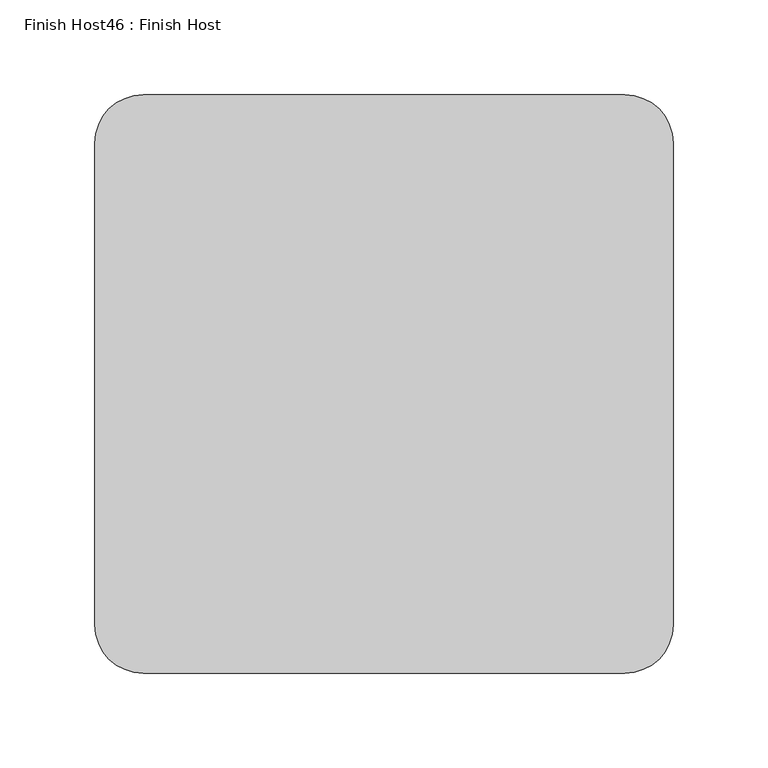
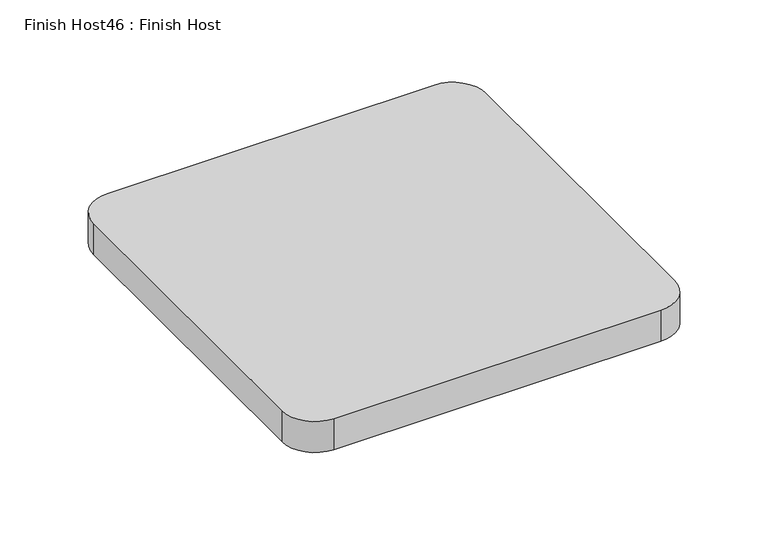
"""IFC4 building model written with IfcOpenShell, lengths in millimetres: proxy geometry, Finish Host46 : Finish Host."""

from ifc_helpers import new_model, si_unit, point, frame_2d, origin, origin_with_axes, place, context, project, spatial, polyline, circle_curve, trimmed, segment, composite_curve, outline, extrude, source, transform, mapped, element, save


def finish_host46_finish_host_f0582e82(model_context):
    return source(origin(), model_context, "Body", "SweptSolid", [
        extrude(outline(composite_curve([segment(polyline([(3832.6934426, 1206.8122951), (3832.6934426, 1460.8122951)]), True, "CONTINUOUS"), segment(trimmed(circle_curve(frame_2d((3858.0934426, 1460.8122951)), 25.4), [point((3832.6934426, 1460.8122951))], [point((3858.0934426, 1486.2122951))], False, "CARTESIAN"), True, "CONTINUOUS"), segment(polyline([(3858.0934426, 1486.2122951), (4112.0934426, 1486.2122951)]), True, "CONTINUOUS"), segment(trimmed(circle_curve(frame_2d((4112.0934426, 1460.8122951)), 25.4), [point((4112.0934426, 1486.2122951))], [point((4137.4934426, 1460.8122951))], False, "CARTESIAN"), True, "CONTINUOUS"), segment(polyline([(4137.4934426, 1460.8122951), (4137.4934426, 1206.8122951)]), True, "CONTINUOUS"), segment(trimmed(circle_curve(frame_2d((4112.0934426, 1206.8122951)), 25.4), [point((4137.4934426, 1206.8122951))], [point((4112.0934426, 1181.4122951))], False, "CARTESIAN"), True, "CONTINUOUS"), segment(polyline([(4112.0934426, 1181.4122951), (3858.0934426, 1181.4122951)]), True, "CONTINUOUS"), segment(trimmed(circle_curve(frame_2d((3858.0934426, 1206.8122951)), 25.4), [point((3858.0934426, 1181.4122951))], [point((3832.6934426, 1206.8122951))], False, "CARTESIAN"), True, "CONTINUOUS")], self_intersect=False)), origin_with_axes(), (0.0, 0.0, 1.0), 25.4),
    ])


if __name__ == "__main__":
    model = new_model("IFC4")
    model_context = context("Model", 3, world=origin())
    ifc_project = project(units=[si_unit("LENGTHUNIT", "METRE", prefix="MILLI")], contexts=[model_context])
    site = spatial("IfcSite", under=ifc_project)
    building = spatial("IfcBuilding", under=site)
    placement = place(None, origin())
    finish_host46_finish_host_shape = finish_host46_finish_host_f0582e82(model_context)
    element("IfcBuildingElementProxy", 1, Name="Finish Host46 : Finish Host", ObjectType="Finish Host46 : Finish Host", at=placement, inside=building, context=model_context, shape_type="MappedRepresentation", body=[
        mapped(finish_host46_finish_host_shape, transform((0.0, 0.0, 0.0), x_axis=(1.0, 0.0, 0.0), y_axis=(0.0, 1.0, 0.0), z_axis=(0.0, 0.0, 1.0))),
    ])
    save(model, "model.ifc")
